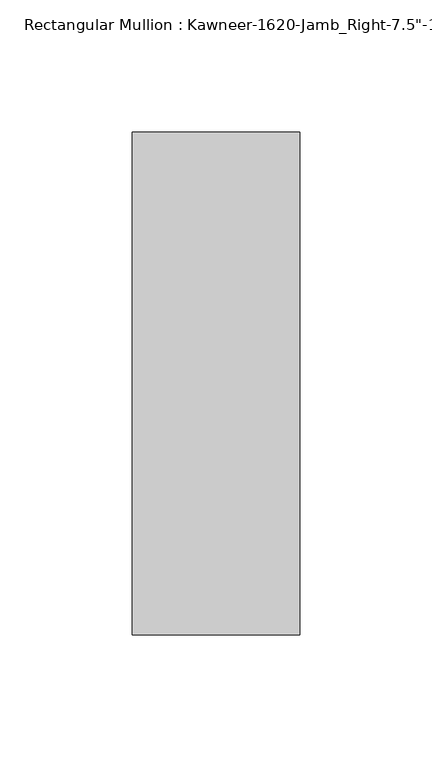
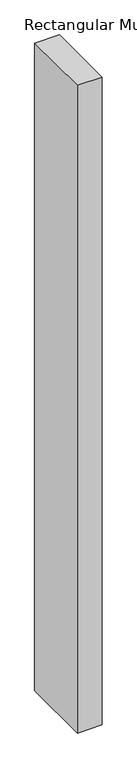
"""IFC4 building model written with IfcOpenShell, lengths in millimetres: member geometry."""

from ifc_helpers import new_model, si_unit, frame, origin, place, context, project, spatial, polyline, outline, extrude, source, transform, mapped, element, save


def member_c69aff8e(model_context):
    return source(origin(), model_context, "Body", "SweptSolid", [
        extrude(outline(polyline([(-63.5, 38.1), (0.0, 38.1), (0.0, -152.4), (-63.5, -152.4), (-63.5, 38.1)])), frame((0.0, 0.0, -1765.3), z_axis=(0.0, 0.0, 1.0), x_axis=(1.0, 0.0, 0.0)), (0.0, 0.0, 1.0), 1765.3),
    ])


if __name__ == "__main__":
    model = new_model("IFC4")
    model_context = context("Model", 3, world=origin())
    ifc_project = project(units=[si_unit("LENGTHUNIT", "METRE", prefix="MILLI")], contexts=[model_context])
    site = spatial("IfcSite", under=ifc_project)
    building = spatial("IfcBuilding", under=site)
    placement = place(None, origin())
    member_shape = member_c69aff8e(model_context)
    element("IfcMember", 1, ObjectType="Rectangular Mullion : Kawneer-1620-Jamb_Right-7.5\"-1\"Infill", at=placement, inside=building, context=model_context, shape_type="MappedRepresentation", body=[
        mapped(member_shape, transform((0.0, 0.0, 0.0), x_axis=(1.0, 0.0, 0.0), y_axis=(0.0, 1.0, 0.0), z_axis=(0.0, 0.0, 1.0))),
    ])
    save(model, "model.ifc")
